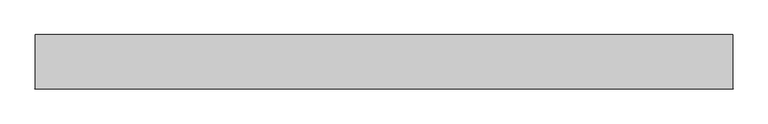
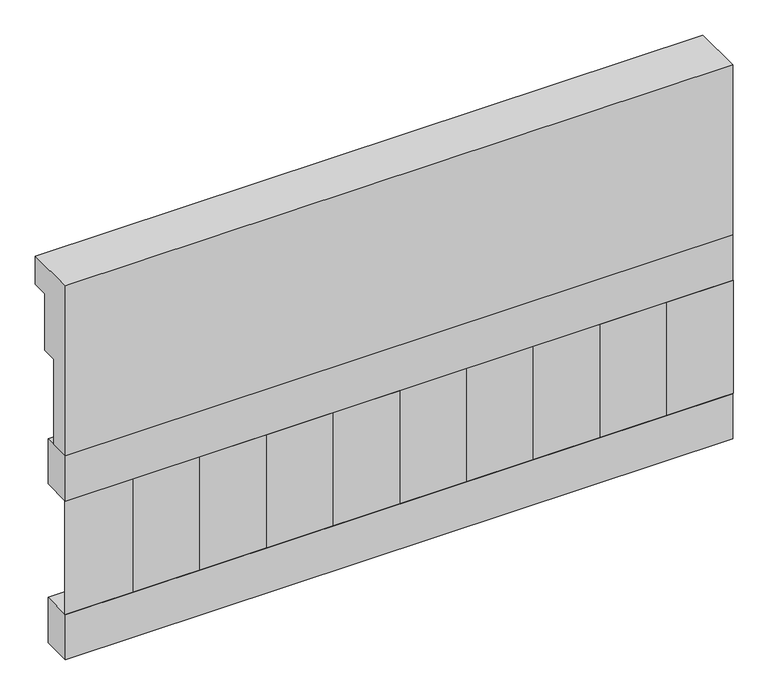
"""IFC4 building model written with IfcOpenShell, lengths in millimetres: railing geometry."""

from ifc_helpers import new_model, si_unit, frame, origin, place, context, project, spatial, polyline, outline, extrude, source, transform, mapped, element, save


def railing_4bca5eb9(model_context):
    return source(origin(), model_context, "Body", "SweptSolid", [
        extrude(outline(polyline([(903.1079487, 21800.0), (1033.1079487, 21800.0), (1033.1079487, 21725.0), (993.1079487, 21725.0), (993.1079487, 21575.0), (953.1079487, 21575.0), (953.1079487, 21350.0), (903.1079487, 21350.0), (903.1079487, 21800.0)])), frame((-15749.9887159, 0.0, 0.0), z_axis=(1.0, 0.0, 0.0), x_axis=(0.0, 1.0, 0.0)), (0.0, 0.0, 1.0), 1670.0),
        extrude(outline(polyline([(-14079.9887159, 978.1079487), (-14079.9887159, 903.1079487), (-15749.9887159, 903.1079487), (-15749.9887159, 978.1079487), (-14079.9887159, 978.1079487)])), frame((0.0, 0.0, 21230.0), z_axis=(0.0, 0.0, 1.0), x_axis=(1.0, 0.0, 0.0)), (0.0, 0.0, 1.0), 120.0),
        extrude(outline(polyline([(-14079.9887159, 978.1079487), (-14079.9887159, 903.1079487), (-15749.9887159, 903.1079487), (-15749.9887159, 978.1079487), (-14079.9887159, 978.1079487)])), frame((0.0, 0.0, 20810.0), z_axis=(0.0, 0.0, 1.0), x_axis=(1.0, 0.0, 0.0)), (0.0, 0.0, 1.0), 120.0),
        extrude(outline(polyline([(-15666.4887159, 987.9607624), (-15581.6359022, 903.1079487), (-15751.3415296, 903.1079487), (-15666.4887159, 987.9607624)])), frame((0.0, 0.0, 20930.0), z_axis=(0.0, 0.0, 1.0), x_axis=(1.0, 0.0, 0.0)), (0.0, 0.0, 1.0), 300.0),
        extrude(outline(polyline([(-15499.4887159, 987.9607624), (-15414.6359022, 903.1079487), (-15584.3415296, 903.1079487), (-15499.4887159, 987.9607624)])), frame((0.0, 0.0, 20930.0), z_axis=(0.0, 0.0, 1.0), x_axis=(1.0, 0.0, 0.0)), (0.0, 0.0, 1.0), 300.0),
        extrude(outline(polyline([(-15332.4887159, 987.9607624), (-15247.6359022, 903.1079487), (-15417.3415296, 903.1079487), (-15332.4887159, 987.9607624)])), frame((0.0, 0.0, 20930.0), z_axis=(0.0, 0.0, 1.0), x_axis=(1.0, 0.0, 0.0)), (0.0, 0.0, 1.0), 300.0),
        extrude(outline(polyline([(-15165.4887159, 987.9607624), (-15080.6359022, 903.1079487), (-15250.3415296, 903.1079487), (-15165.4887159, 987.9607624)])), frame((0.0, 0.0, 20930.0), z_axis=(0.0, 0.0, 1.0), x_axis=(1.0, 0.0, 0.0)), (0.0, 0.0, 1.0), 300.0),
        extrude(outline(polyline([(-14998.4887159, 987.9607624), (-14913.6359022, 903.1079487), (-15083.3415296, 903.1079487), (-14998.4887159, 987.9607624)])), frame((0.0, 0.0, 20930.0), z_axis=(0.0, 0.0, 1.0), x_axis=(1.0, 0.0, 0.0)), (0.0, 0.0, 1.0), 300.0),
        extrude(outline(polyline([(-14831.4887159, 987.9607624), (-14746.6359022, 903.1079487), (-14916.3415296, 903.1079487), (-14831.4887159, 987.9607624)])), frame((0.0, 0.0, 20930.0), z_axis=(0.0, 0.0, 1.0), x_axis=(1.0, 0.0, 0.0)), (0.0, 0.0, 1.0), 300.0),
        extrude(outline(polyline([(-14664.4887159, 987.9607624), (-14579.6359022, 903.1079487), (-14749.3415296, 903.1079487), (-14664.4887159, 987.9607624)])), frame((0.0, 0.0, 20930.0), z_axis=(0.0, 0.0, 1.0), x_axis=(1.0, 0.0, 0.0)), (0.0, 0.0, 1.0), 300.0),
        extrude(outline(polyline([(-14497.4887159, 987.9607624), (-14412.6359022, 903.1079487), (-14582.3415296, 903.1079487), (-14497.4887159, 987.9607624)])), frame((0.0, 0.0, 20930.0), z_axis=(0.0, 0.0, 1.0), x_axis=(1.0, 0.0, 0.0)), (0.0, 0.0, 1.0), 300.0),
        extrude(outline(polyline([(-14330.4887159, 987.9607624), (-14245.6359022, 903.1079487), (-14415.3415296, 903.1079487), (-14330.4887159, 987.9607624)])), frame((0.0, 0.0, 20930.0), z_axis=(0.0, 0.0, 1.0), x_axis=(1.0, 0.0, 0.0)), (0.0, 0.0, 1.0), 300.0),
        extrude(outline(polyline([(-14163.4887159, 987.9607624), (-14078.6359022, 903.1079487), (-14248.3415296, 903.1079487), (-14163.4887159, 987.9607624)])), frame((0.0, 0.0, 20930.0), z_axis=(0.0, 0.0, 1.0), x_axis=(1.0, 0.0, 0.0)), (0.0, 0.0, 1.0), 300.0),
    ])


if __name__ == "__main__":
    model = new_model("IFC4")
    model_context = context("Model", 3, world=origin())
    ifc_project = project(units=[si_unit("LENGTHUNIT", "METRE", prefix="MILLI")], contexts=[model_context])
    site = spatial("IfcSite", under=ifc_project)
    building = spatial("IfcBuilding", under=site)
    placement = place(None, origin())
    railing_shape = railing_4bca5eb9(model_context)
    element("IfcRailing", 1, at=placement, inside=building, context=model_context, shape_type="MappedRepresentation", body=[
        mapped(railing_shape, transform((0.0, 0.0, 0.0), x_axis=(1.0, 0.0, 0.0), y_axis=(0.0, 1.0, 0.0), z_axis=(0.0, 0.0, 1.0))),
    ])
    save(model, "model.ifc")
